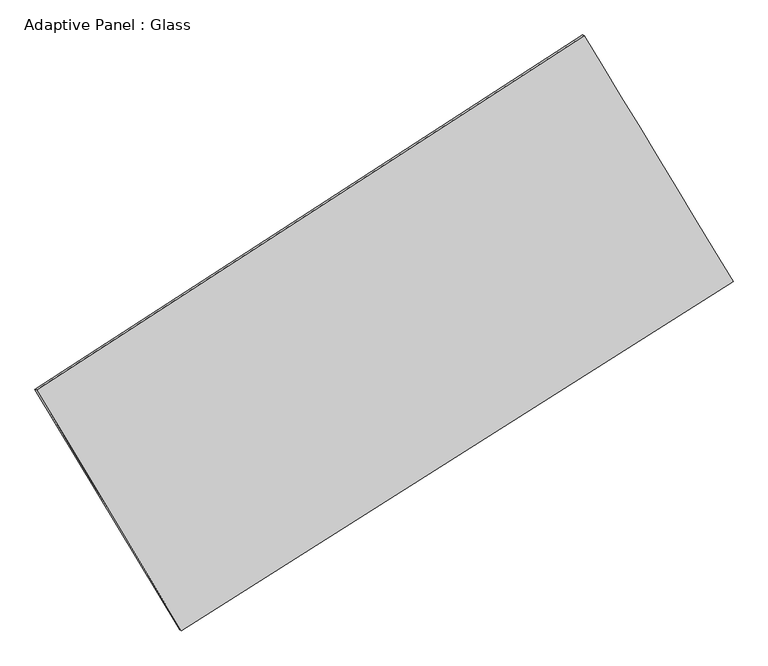
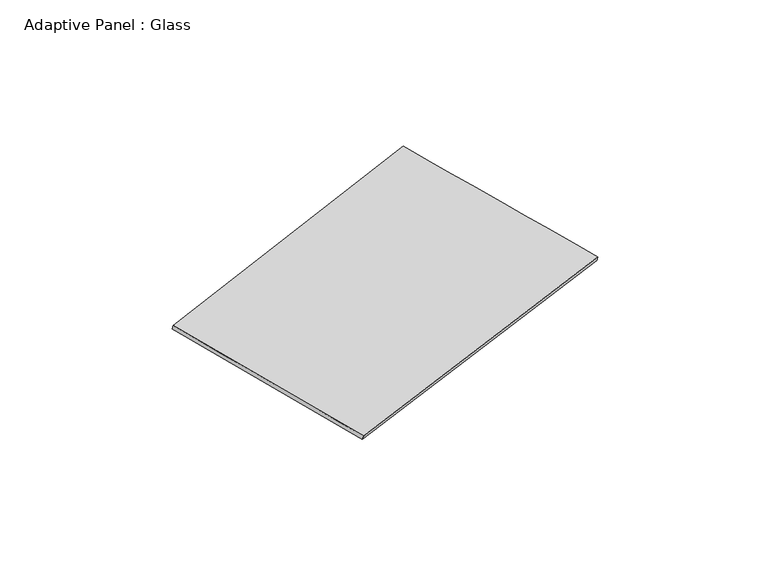
"""IFC4 building model written with IfcOpenShell, lengths in millimetres: plate geometry, Adaptive Panel : Glass."""

import ifcopenshell
import ifcopenshell.guid

model = None  # the IFC model being written
_history = None  # IfcOwnerHistory: only IFC2X3 demands one
_inside = {}  # id of a spatial element -> (the spatial element, [elements in it])
_under = {}  # id of a project, library or spatial element -> (it, [spatial elements below it])
_declared = {}  # id of a project -> (the project, [libraries it declares])
_typed = {}  # id of a type object -> (the type object, [elements of that type])
_made_of = {}  # id of a material, layer set ... -> (it, [elements and type objects made of it])


def new_model(schema):
    """Start an empty IFC model of exactly this schema.

    Asked for "IFC4X3", IfcOpenShell would pick the latest addendum, in which some entities
    have other attributes; the version numbers below select the first issue.
    IFC2X3 requires an IfcOwnerHistory on every rooted entity: one is made here for all.
    """
    global model, _history
    if schema == "IFC4X3":
        model = ifcopenshell.file(schema_version=(4, 3, 0, 0))
    else:
        model = ifcopenshell.file(schema=schema)
    _inside.clear()
    _under.clear()
    _declared.clear()
    _typed.clear()
    _made_of.clear()
    _history = None
    if model.schema == "IFC2X3":
        org = make("IfcOrganization", Name="unknown")
        user = make(
            "IfcPersonAndOrganization",
            ThePerson=make("IfcPerson", FamilyName="unknown"),
            TheOrganization=org,
        )
        app = make(
            "IfcApplication",
            ApplicationDeveloper=org,
            Version="unknown",
            ApplicationFullName="unknown",
            ApplicationIdentifier="unknown",
        )
        _history = make(
            "IfcOwnerHistory",
            OwningUser=user,
            OwningApplication=app,
            ChangeAction="ADDED",
            CreationDate=0,
        )
    return model


def make(cls, **values):
    """One entity of the class cls with the attributes given. An attribute that is None is left unset."""
    return model.create_entity(
        cls, **{name: value for name, value in values.items() if value is not None}
    )


def rooted(cls, **values):
    """An entity with a GlobalId (a new one), such as an element, a storey or a relation."""
    return make(cls, GlobalId=ifcopenshell.guid.new(), OwnerHistory=_history, **values)


def si_unit(unit_type, name, prefix=None):
    """IfcSIUnit, for example si_unit("LENGTHUNIT", "METRE", prefix="MILLI")."""
    return make("IfcSIUnit", UnitType=unit_type, Prefix=prefix, Name=name)


def assignment(units):
    """IfcUnitAssignment: the units of a project."""
    return None if units is None else make("IfcUnitAssignment", Units=units)


def point(xyz):
    """IfcCartesianPoint."""
    return None if xyz is None else make("IfcCartesianPoint", Coordinates=xyz)


def direction(xyz):
    """IfcDirection."""
    return None if xyz is None else make("IfcDirection", DirectionRatios=xyz)


def frame(location, z_axis=None, x_axis=None):
    """IfcAxis2Placement3D, a coordinate frame: its origin and axes. An axis left out is left unset."""
    return make(
        "IfcAxis2Placement3D",
        Location=point(location),
        Axis=direction(z_axis),
        RefDirection=direction(x_axis),
    )


def origin():
    """The frame at (0, 0, 0) with its axes left unset."""
    return frame((0.0, 0.0, 0.0))


def place(relative_to, where):
    """IfcLocalPlacement: puts the frame where relative to a parent placement (None: the world)."""
    return make(
        "IfcLocalPlacement", PlacementRelTo=relative_to, RelativePlacement=where
    )


def context(
    kind, dimensions, precision=None, world=None, true_north=None, identifier=None
):
    """IfcGeometricRepresentationContext, for example the 3D "Model" context."""
    return make(
        "IfcGeometricRepresentationContext",
        ContextIdentifier=identifier,
        ContextType=kind,
        CoordinateSpaceDimension=dimensions,
        Precision=precision,
        WorldCoordinateSystem=world,
        TrueNorth=true_north,
    )


def project(units=None, contexts=None):
    """IfcProject with its units and contexts."""
    return rooted(
        "IfcProject",
        Name="project",
        RepresentationContexts=contexts,
        UnitsInContext=assignment(units),
    )


def spatial(cls, under=None, at=None, **own):
    """A site, building, storey or space (cls), placed at a placement, below another one or the project."""
    s = rooted(cls, ObjectPlacement=at, **own)
    if under is not None:
        _under.setdefault(under.id(), (under, []))[1].append(s)
    return s


def shape(context_of_items, identifier, shape_type, items):
    """IfcShapeRepresentation: the items that make up one representation, for example the "Body"."""
    return make(
        "IfcShapeRepresentation",
        ContextOfItems=context_of_items,
        RepresentationIdentifier=identifier,
        RepresentationType=shape_type,
        Items=items,
    )


def source(mapping_origin, context_of_items, identifier, shape_type, items):
    """IfcRepresentationMap: a shape defined once, which mapped items show again and again."""
    return make(
        "IfcRepresentationMap",
        MappingOrigin=mapping_origin,
        MappedRepresentation=shape(context_of_items, identifier, shape_type, items),
    )


def transform(
    local_origin,
    x_axis=None,
    y_axis=None,
    z_axis=None,
    scale=None,
    scale2=None,
    scale3=None,
    uniform=True,
):
    """IfcCartesianTransformationOperator3D, or its non-uniform kind. x_axis, y_axis, z_axis: its Axis1, 2, 3."""
    if uniform:
        return make(
            "IfcCartesianTransformationOperator3D",
            Axis1=direction(x_axis),
            Axis2=direction(y_axis),
            LocalOrigin=point(local_origin),
            Scale=scale,
            Axis3=direction(z_axis),
        )
    return make(
        "IfcCartesianTransformationOperator3DnonUniform",
        Axis1=direction(x_axis),
        Axis2=direction(y_axis),
        LocalOrigin=point(local_origin),
        Scale=scale,
        Axis3=direction(z_axis),
        Scale2=scale2,
        Scale3=scale3,
    )


def mapped(mapping_source, mapping_target):
    """IfcMappedItem: shows the shape of a source again, moved by a transform."""
    return make(
        "IfcMappedItem", MappingSource=mapping_source, MappingTarget=mapping_target
    )


def made_of(thing, what):
    """Note that an element or type object is made of a material, layer set ...; save() writes the relation."""
    if what is not None:
        _made_of.setdefault(what.id(), (what, []))[1].append(thing)
    return thing


def element(
    cls,
    number,
    at=None,
    inside=None,
    cuts=None,
    type_object=None,
    material=None,
    context=None,
    identifier="Body",
    shape_type=None,
    held_by="IfcProductDefinitionShape",
    body=None,
    shapes=None,
    **own,
):
    """One element of the class cls, such as IfcWall. Its Tag is "e" and its number.

    at: its placement. inside: the storey or other place that contains it. cuts: it is an
    opening in that element (IfcRelVoidsElement). A single representation is given by context,
    identifier, shape_type and body (its items); several are given by shapes. held_by: the class
    of the entity that holds the representations. save() writes the other relations.
    """
    e = rooted(cls, Tag="e%d" % number, ObjectPlacement=at, **own)
    if body is not None:
        shapes = [shape(context, identifier, shape_type, body)]
    if shapes is not None:
        e.Representation = make(held_by, Representations=shapes)
    if inside is not None:
        _inside.setdefault(inside.id(), (inside, []))[1].append(e)
    if cuts is not None:
        rooted(
            "IfcRelVoidsElement", RelatingBuildingElement=cuts, RelatedOpeningElement=e
        )
    if type_object is not None:
        _typed.setdefault(type_object.id(), (type_object, []))[1].append(e)
    return made_of(e, material)


def aggregate(whole, parts):
    """IfcRelAggregates: a whole, such as a stair, and the parts it consists of."""
    return rooted("IfcRelAggregates", RelatingObject=whole, RelatedObjects=parts)


def save(model, path):
    """Write the relations noted so far, then the file.

    IfcRelAggregates (storeys below a building ...), IfcRelContainedInSpatialStructure (elements
    in a storey), IfcRelDefinesByType, IfcRelAssociatesMaterial and IfcRelDeclares: one each for
    every whole, place, type object, material and project.
    """
    for whole, parts in _under.values():
        aggregate(whole, parts)
    for where, things in _inside.values():
        rooted(
            "IfcRelContainedInSpatialStructure",
            RelatedElements=things,
            RelatingStructure=where,
        )
    for kind, things in _typed.values():
        rooted("IfcRelDefinesByType", RelatedObjects=things, RelatingType=kind)
    for what, things in _made_of.values():
        rooted("IfcRelAssociatesMaterial", RelatedObjects=things, RelatingMaterial=what)
    for by, libraries in _declared.values():
        rooted("IfcRelDeclares", RelatingContext=by, RelatedDefinitions=libraries)
    model.write(path)


def plane_surface(at):
    """IfcPlane: the flat surface through the origin of the frame at, square to its z axis."""
    return make("IfcPlane", Position=at)


def spline_surface(u_degree, v_degree, points, u_multiplicities, v_multiplicities, u_knots, v_knots, weights=None):
    """IfcBSplineSurfaceWithKnots; with weights, IfcRationalBSplineSurfaceWithKnots. points: one row for each step in u."""
    own = dict(
        UDegree=u_degree,
        VDegree=v_degree,
        ControlPointsList=[[point(p) for p in row] for row in points],
        SurfaceForm="UNSPECIFIED",
        UClosed=False,
        VClosed=False,
        SelfIntersect=False,
        UMultiplicities=u_multiplicities,
        VMultiplicities=v_multiplicities,
        UKnots=u_knots,
        VKnots=v_knots,
        KnotSpec="UNSPECIFIED",
    )
    if weights is None:
        return make("IfcBSplineSurfaceWithKnots", **own)
    return make("IfcRationalBSplineSurfaceWithKnots", WeightsData=weights, **own)


def advanced_brep(points, edges, surfaces, faces):
    """IfcAdvancedBrep: a solid bounded by faces that lie on surfaces and meet in shared edges.

    An edge is (start, end): straight between two places in points (the first is 0);
    or (start, end, curve); or (start, end, curve, False) where it runs against its curve.
    A face is (place in surfaces, loops), or (place, loops, False) where it looks against
    its surface's normal. A loop lists edges by number (the first is 1), with a minus sign
    where the edge is run from its end to its start. The first loop is the outer one.
    """
    corners = [point(p) for p in points]
    vertices = [make("IfcVertexPoint", VertexGeometry=c) for c in corners]
    made = []
    for start, end, *more in edges:
        made.append(
            make(
                "IfcEdgeCurve",
                EdgeStart=vertices[start],
                EdgeEnd=vertices[end],
                EdgeGeometry=more[0] if more else make("IfcPolyline", Points=[corners[start], corners[end]]),
                SameSense=more[1] if len(more) > 1 else True,
            )
        )
    hull = []
    for where, loops, *sense in faces:
        bounds = []
        for j, loop in enumerate(loops):
            ring = [make("IfcOrientedEdge", EdgeElement=made[abs(k) - 1], Orientation=k > 0) for k in loop]
            bounds.append(
                make(
                    "IfcFaceOuterBound" if j == 0 else "IfcFaceBound",
                    Bound=make("IfcEdgeLoop", EdgeList=ring),
                    Orientation=True,
                )
            )
        hull.append(make("IfcAdvancedFace", Bounds=bounds, FaceSurface=surfaces[where], SameSense=sense[0] if sense else True))
    return make("IfcAdvancedBrep", Outer=make("IfcClosedShell", CfsFaces=hull))


def adaptive_panel_glass_2c39e101(model_context):
    return source(origin(), model_context, "Body", "AdvancedBrep", [
        advanced_brep(
        [(1124.850174, 2549.9237227, 670.7572774), (-3727.9217357, -592.9228895, 1765.3900339), (-3713.2553798, -599.302983, 1812.7629419), (1139.5165298, 2543.5436292, 718.1301854), (-2444.1744273, -2726.8385913, 1064.8866483), (-2429.5080715, -2733.2186847, 1112.2595563), (2443.9554109, 369.5891853, -15.9114394), (2458.6217667, 363.2090918, 31.4614686)],
        [
            (0, 1),
            (1, 2),
            (2, 3),
            (3, 0),
            (1, 4),
            (4, 5),
            (5, 2),
            (4, 6),
            (6, 7),
            (7, 5),
            (6, 0),
            (3, 7),
        ],
        [
            plane_surface(frame((-1301.5357809, 978.5004166, 1218.0736557), z_axis=(-0.4823076072149468, 0.8359347828925834, 0.26190152877163997), x_axis=(-0.8246968869312348, -0.5341062521562457, 0.1860256866498252))),
            plane_surface(frame((-3086.0480815, -1659.8807404, 1415.1383411), z_axis=(-0.8161025405723763, -0.5496036361446832, 0.17864066280624835), x_axis=(0.496239778109724, -0.8248771759421905, -0.27078354313223835))),
            plane_surface(frame((-0.1095082, -1178.624703, 524.4876045), z_axis=(0.4749641002092122, -0.840638477648405, -0.26026150965793204), x_axis=(0.8304095775248422, 0.5260300701689486, -0.18360909245749302))),
            plane_surface(frame((1784.4027924, 1459.756454, 327.422919), z_axis=(0.8159379191330196, 0.5498764919547316, -0.17855294933558588), x_axis=(-0.49981129126737706, 0.8261325859739203, 0.26017998292274647))),
            spline_surface(1, 1, [[(-3713.2553798, -599.302983, 1812.7629419), (1139.5165298, 2543.5436292, 718.1301854)], [(-2429.5080715, -2733.2186847, 1112.2595563), (2458.6217667, 363.2090918, 31.4614686)]], [2, 2], [2, 2], [0.0, 1.0], [0.0, 1.0]),
            spline_surface(1, 1, [[(2443.9554109, 369.5891853, -15.9114394), (1124.850174, 2549.9237227, 670.7572774)], [(-2444.1744273, -2726.8385913, 1064.8866483), (-3727.9217357, -592.9228895, 1765.3900339)]], [2, 2], [2, 2], [0.0, 1.0], [0.0, 1.0]),
        ],
        [
            (0, [[1, 2, 3, 4]]),
            (1, [[5, 6, 7, -2]]),
            (2, [[8, 9, 10, -6]]),
            (3, [[11, -4, 12, -9]]),
            (4, [[-3, -7, -10, -12]]),
            (5, [[-11, -8, -5, -1]]),
        ],
    ),
    ])


if __name__ == "__main__":
    model = new_model("IFC4")
    model_context = context("Model", 3, world=origin())
    ifc_project = project(units=[si_unit("LENGTHUNIT", "METRE", prefix="MILLI")], contexts=[model_context])
    site = spatial("IfcSite", under=ifc_project)
    building = spatial("IfcBuilding", under=site)
    placement = place(None, origin())
    adaptive_panel_glass_shape = adaptive_panel_glass_2c39e101(model_context)
    element("IfcPlate", 1, ObjectType="Adaptive Panel : Glass", at=placement, inside=building, context=model_context, shape_type="MappedRepresentation", body=[
        mapped(adaptive_panel_glass_shape, transform((0.0, 0.0, 0.0), x_axis=(1.0, 0.0, 0.0), y_axis=(0.0, 1.0, 0.0), z_axis=(0.0, 0.0, 1.0))),
    ])
    save(model, "model.ifc")
